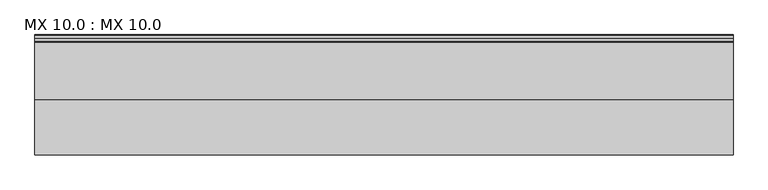
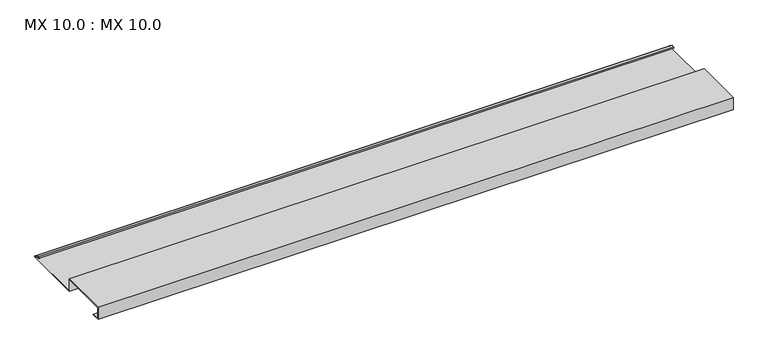
"""IFC4 building model written with IfcOpenShell, lengths in millimetres: proxy geometry, MX 10.0 : MX 10.0."""

from ifc_helpers import new_model, si_unit, point, frame, frame_2d, origin, place, context, project, spatial, polyline, circle_curve, trimmed, segment, composite_curve, outline, extrude, source, transform, mapped, element, save


def mx_10_0_mx_10_0_856b9ad7(model_context):
    return source(origin(), model_context, "Body", "SweptSolid", [
        extrude(outline(composite_curve([segment(polyline([(0.0, 0.0), (0.0, 38.0), (150.0, 38.0), (150.0, 0.0), (325.0510156, 0.0)]), True, "CONTINUOUS"), segment(trimmed(circle_curve(frame_2d((324.3094696, 1.9153551)), 2.0538928), [point((325.0510156, 0.0))], [point((325.1748462, 3.778041))], True, "CARTESIAN"), True, "CONTINUOUS"), segment(polyline([(325.1748462, 3.778041), (308.7874714, 6.923107)]), True, "CONTINUOUS"), segment(trimmed(circle_curve(frame_2d((309.4078886, 8.6005442)), 1.7884947), [point((308.7874714, 6.923107))], [point((308.9525789, 10.3301125))], False, "CARTESIAN"), True, "CONTINUOUS"), segment(polyline([(308.9525789, 10.3301125), (316.459338, 11.6715995), (316.635255, 10.6871945), (309.1762081, 9.3542338)]), True, "CONTINUOUS"), segment(trimmed(circle_curve(frame_2d((309.4078886, 8.6005442)), 0.7884947), [point((309.1762081, 9.3542338))], [point((309.0735117, 7.8864603))], True, "CARTESIAN"), True, "CONTINUOUS"), segment(polyline([(309.0735117, 7.8864603), (325.4722719, 4.7392091)]), True, "CONTINUOUS"), segment(trimmed(circle_curve(frame_2d((324.3094696, 1.9153551)), 3.0538928), [point((325.4722719, 4.7392091))], [point((325.2188462, -1.0))], False, "CARTESIAN"), True, "CONTINUOUS"), segment(polyline([(325.2188462, -1.0), (149.0, -1.0), (149.0, 37.0), (1.0, 37.0), (1.0, 1.0), (25.0, 1.0), (25.0, 0.0), (0.0, 0.0)]), True, "CONTINUOUS")], self_intersect=False)), frame((0.0, 0.0, 0.0), z_axis=(1.0, 0.0, 0.0), x_axis=(0.0, 1.0, 0.0)), (0.0, 0.0, 1.0), 1900.0),
    ])


if __name__ == "__main__":
    model = new_model("IFC4")
    model_context = context("Model", 3, world=origin())
    ifc_project = project(units=[si_unit("LENGTHUNIT", "METRE", prefix="MILLI")], contexts=[model_context])
    site = spatial("IfcSite", under=ifc_project)
    building = spatial("IfcBuilding", under=site)
    placement = place(None, origin())
    mx_10_0_mx_10_0_shape = mx_10_0_mx_10_0_856b9ad7(model_context)
    element("IfcBuildingElementProxy", 1, Name="MX 10.0 : MX 10.0", ObjectType="MX 10.0 : MX 10.0", at=placement, inside=building, context=model_context, shape_type="MappedRepresentation", body=[
        mapped(mx_10_0_mx_10_0_shape, transform((0.0, 0.0, 0.0), x_axis=(1.0, 0.0, 0.0), y_axis=(0.0, 1.0, 0.0), z_axis=(0.0, 0.0, 1.0))),
    ])
    save(model, "model.ifc")
